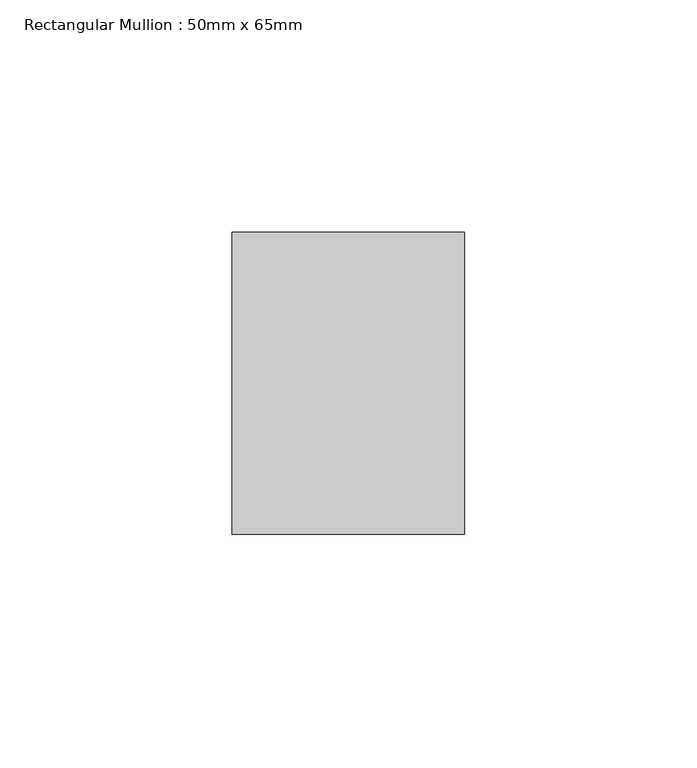
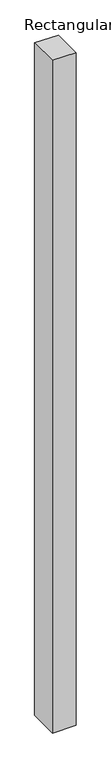
"""IFC4 building model written with IfcOpenShell, lengths in millimetres: member geometry, Rectangular Mullion : 50mm x 65mm."""

from ifc_helpers import new_model, si_unit, origin, place, context, project, spatial, faceted_brep, source, transform, mapped, element, save


def rectangular_mullion_50mm_x_65mm_3b40df58(model_context):
    return source(origin(), model_context, "Body", "Brep", [
        faceted_brep([(-25.0, 32.5, -0.2664487), (25.0, 32.5, -0.2664478), (25.0, 32.5, -1499.6461126), (-25.0, 32.5, -1499.6461114), (-25.0, -32.5, 0.2664478), (-25.0, -32.5, -1500.353453), (25.0, -32.5, 0.2664487), (25.0, -32.5, -1500.3534542)], [[[0, 1, 2, 3]], [[4, 0, 3, 5]], [[6, 4, 5, 7]], [[1, 6, 7, 2]], [[1, 0, 4, 6]], [[2, 7, 5, 3]]]),
    ])


if __name__ == "__main__":
    model = new_model("IFC4")
    model_context = context("Model", 3, world=origin())
    ifc_project = project(units=[si_unit("LENGTHUNIT", "METRE", prefix="MILLI")], contexts=[model_context])
    site = spatial("IfcSite", under=ifc_project)
    building = spatial("IfcBuilding", under=site)
    placement = place(None, origin())
    rectangular_mullion_50mm_x_65mm_shape = rectangular_mullion_50mm_x_65mm_3b40df58(model_context)
    element("IfcMember", 1, ObjectType="Rectangular Mullion : 50mm x 65mm", at=placement, inside=building, context=model_context, shape_type="MappedRepresentation", body=[
        mapped(rectangular_mullion_50mm_x_65mm_shape, transform((0.0, 0.0, 0.0), x_axis=(1.0, 0.0, 0.0), y_axis=(0.0, 1.0, 0.0), z_axis=(0.0, 0.0, 1.0))),
    ])
    save(model, "model.ifc")
